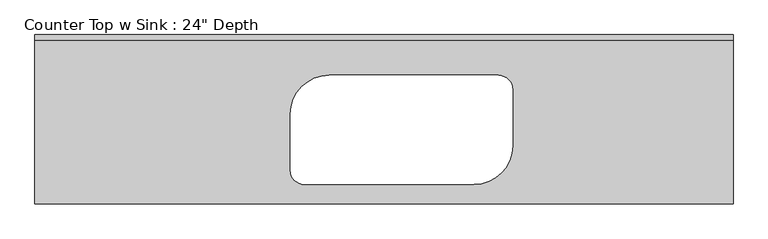
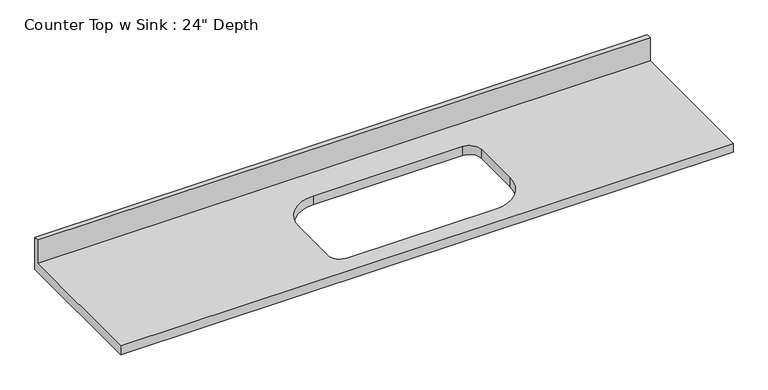
"""IFC4 building model written with IfcOpenShell, lengths in millimetres: furniture geometry."""

from ifc_helpers import new_model, si_unit, frame, origin, place, context, project, spatial, polyline, circle_curve, source, transform, mapped, element, save
from ifc_brep_helpers import plane_surface, revolved_surface, advanced_brep


def furniture_6fe612b7(model_context):
    return source(origin(), model_context, "Body", "AdvancedBrep", [
        advanced_brep(
        [(-1200.4622951, -609.6, 914.4), (1312.6982649, -609.6, 914.4), (1312.6982649, -19.05, 914.4), (-1200.4622951, -19.05, 914.4), (-141.4517351, -146.05, 914.4), (468.1482649, -146.05, 914.4), (518.9482649, -196.85, 914.4), (518.9482649, -400.05, 914.4), (379.2482649, -539.75, 914.4), (-230.3517351, -539.75, 914.4), (-281.1517351, -488.95, 914.4), (-281.1517351, -285.75, 914.4), (1312.6982649, 0.0, 876.3), (1312.6982649, -609.6, 876.3), (-1200.4622951, -609.6, 876.3), (-1200.4622951, 0.0, 876.3), (468.1482649, -146.05, 876.3), (-141.4517351, -146.05, 876.3), (-281.1517351, -285.75, 876.3), (-281.1517351, -488.95, 876.3), (-230.3517351, -539.75, 876.3), (379.2482649, -539.75, 876.3), (518.9482649, -400.05, 876.3), (518.9482649, -196.85, 876.3), (-1200.4622951, 0.0, 1016.0), (1312.6982649, 0.0, 1016.0), (-1200.4622951, -19.05, 1016.0), (1312.6982649, -19.05, 1016.0)],
        [
            (0, 1),
            (1, 2),
            (2, 3),
            (3, 0),
            (4, 5),
            (5, 6, circle_curve(frame((468.1482649, -196.85, 914.4), z_axis=(0.0, 0.0, -1.0), x_axis=(1.0, 0.0, 0.0)), 50.8)),
            (6, 7),
            (7, 8, circle_curve(frame((379.2482649, -400.05, 914.4), z_axis=(0.0, 0.0, -1.0), x_axis=(1.0, 0.0, 0.0)), 139.7)),
            (8, 9),
            (9, 10, circle_curve(frame((-230.3517351, -488.95, 914.4), z_axis=(0.0, 0.0, -1.0), x_axis=(1.0, 0.0, 0.0)), 50.8)),
            (10, 11),
            (11, 4, circle_curve(frame((-141.4517351, -285.75, 914.4), z_axis=(0.0, 0.0, -1.0), x_axis=(1.0, 0.0, 0.0)), 139.7)),
            (12, 13),
            (13, 14),
            (14, 15),
            (15, 12),
            (16, 17),
            (17, 18, circle_curve(frame((-141.4517351, -285.75, 876.3), z_axis=(0.0, 0.0, 1.0), x_axis=(1.0, 0.0, 0.0)), 139.7)),
            (18, 19),
            (19, 20, circle_curve(frame((-230.3517351, -488.95, 876.3), z_axis=(0.0, 0.0, 1.0), x_axis=(1.0, 0.0, 0.0)), 50.8)),
            (20, 21),
            (21, 22, circle_curve(frame((379.2482649, -400.05, 876.3), z_axis=(0.0, 0.0, 1.0), x_axis=(1.0, 0.0, 0.0)), 139.7)),
            (22, 23),
            (23, 16, circle_curve(frame((468.1482649, -196.85, 876.3), z_axis=(0.0, 0.0, 1.0), x_axis=(1.0, 0.0, 0.0)), 50.8)),
            (15, 24),
            (24, 25),
            (25, 12),
            (14, 0),
            (3, 26),
            (26, 24),
            (13, 1),
            (25, 27),
            (27, 2),
            (26, 27),
            (4, 17),
            (16, 5),
            (11, 18),
            (10, 19),
            (9, 20),
            (8, 21),
            (7, 22),
            (6, 23),
        ],
        [
            plane_surface(frame((-1200.4622951, 0.0, 914.4), z_axis=(0.0, 0.0, 1.0), x_axis=(-1.0, 0.0, 0.0))),
            plane_surface(frame((-1200.4622951, 0.0, 876.3), z_axis=(0.0, 0.0, -1.0), x_axis=(1.0, 0.0, 0.0))),
            plane_surface(frame((1312.6982649, 0.0, 914.4), z_axis=(0.0, 1.0, 0.0), x_axis=(0.0, 0.0, -1.0))),
            plane_surface(frame((-1200.4622951, 0.0, 914.4), z_axis=(-1.0, 0.0, 0.0), x_axis=(0.0, 0.0, -1.0))),
            plane_surface(frame((-1200.4622951, -609.6, 914.4), z_axis=(0.0, -1.0, 0.0), x_axis=(0.0, 0.0, -1.0))),
            plane_surface(frame((1312.6982649, -609.6, 914.4), z_axis=(1.0, 0.0, 0.0), x_axis=(0.0, 0.0, -1.0))),
            plane_surface(frame((-1200.4622951, 0.0, 1016.0), z_axis=(0.0, 0.0, 1.0), x_axis=(0.0, -1.0, 0.0))),
            plane_surface(frame((-1200.4622951, -19.05, 1016.0), z_axis=(0.0, -1.0, 0.0), x_axis=(0.0, 0.0, -1.0))),
            plane_surface(frame((468.1482649, -146.05, 914.4), z_axis=(0.0, -1.0, 0.0), x_axis=(0.0, 0.0, -1.0))),
            revolved_surface(polyline([(-1.751735100000019, -285.75, 914.4), (-1.751735100000019, -285.75, 876.3)]), (-141.4517351, -285.75, 876.3), (0.0, 0.0, 1.0)),
            plane_surface(frame((-281.1517351, -285.75, 914.4), z_axis=(1.0, 0.0, 0.0), x_axis=(0.0, 0.0, -1.0))),
            revolved_surface(polyline([(-179.55173510000003, -488.95, 914.4), (-179.55173510000003, -488.95, 876.3)]), (-230.3517351, -488.95, 876.3), (0.0, 0.0, 1.0)),
            plane_surface(frame((-230.3517351, -539.75, 914.4), z_axis=(0.0, 1.0, 0.0), x_axis=(0.0, 0.0, -1.0))),
            revolved_surface(polyline([(518.9482648999999, -400.05, 914.4), (518.9482648999999, -400.05, 876.3)]), (379.2482649, -400.05, 876.3), (0.0, 0.0, 1.0)),
            plane_surface(frame((518.9482649, -400.05, 914.4), z_axis=(-1.0, 0.0, 0.0), x_axis=(0.0, 0.0, -1.0))),
            revolved_surface(polyline([(518.9482649, -196.85, 914.4), (518.9482649, -196.85, 876.3)]), (468.1482649, -196.85, 876.3), (0.0, 0.0, 1.0)),
        ],
        [
            (0, [[1, 2, 3, 4], [5, 6, 7, 8, 9, 10, 11, 12]]),
            (1, [[13, 14, 15, 16], [17, 18, 19, 20, 21, 22, 23, 24]]),
            (2, [[-16, 25, 26, 27]]),
            (3, [[-15, 28, -4, 29, 30, -25]]),
            (4, [[-1, -28, -14, 31]]),
            (5, [[-13, -27, 32, 33, -2, -31]]),
            (6, [[-30, 34, -32, -26]]),
            (7, [[-34, -29, -3, -33]]),
            (8, [[35, -17, 36, -5]]),
            (9, [[-35, -12, 37, -18]]),
            (10, [[-37, -11, 38, -19]]),
            (11, [[-38, -10, 39, -20]]),
            (12, [[-39, -9, 40, -21]]),
            (13, [[-40, -8, 41, -22]]),
            (14, [[-41, -7, 42, -23]]),
            (15, [[-36, -24, -42, -6]]),
        ],
    ),
    ])


if __name__ == "__main__":
    model = new_model("IFC4")
    model_context = context("Model", 3, world=origin())
    ifc_project = project(units=[si_unit("LENGTHUNIT", "METRE", prefix="MILLI")], contexts=[model_context])
    site = spatial("IfcSite", under=ifc_project)
    building = spatial("IfcBuilding", under=site)
    placement = place(None, origin())
    furniture_shape = furniture_6fe612b7(model_context)
    element("IfcFurniture", 1, ObjectType="Counter Top w Sink : 24\" Depth", at=placement, inside=building, context=model_context, shape_type="MappedRepresentation", body=[
        mapped(furniture_shape, transform((0.0, 0.0, 0.0), x_axis=(1.0, 0.0, 0.0), y_axis=(0.0, 1.0, 0.0), z_axis=(0.0, 0.0, 1.0))),
    ])
    save(model, "model.ifc")
